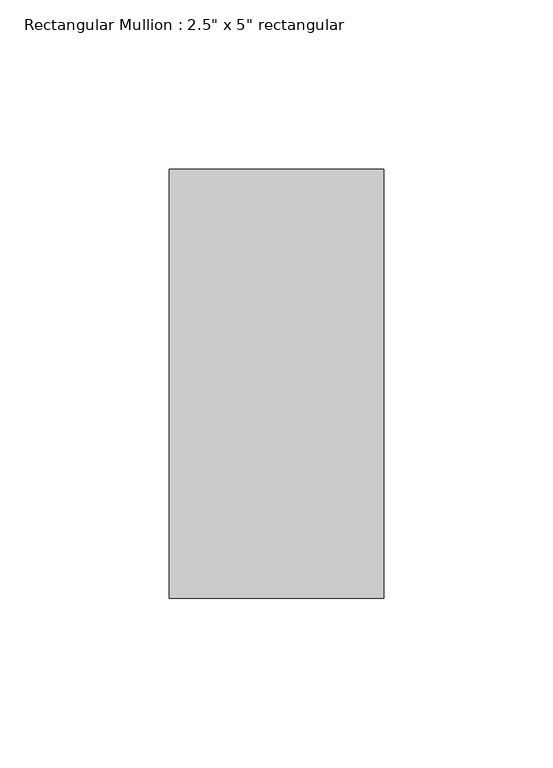
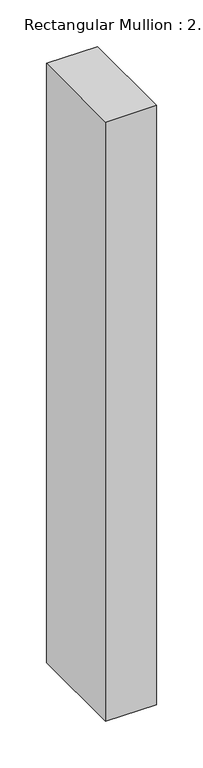
"""IFC4 building model written with IfcOpenShell, lengths in millimetres: member geometry."""

from ifc_helpers import new_model, si_unit, frame, origin, place, context, project, spatial, polyline, outline, extrude, source, transform, mapped, element, save


def member_740add3a(model_context):
    return source(origin(), model_context, "Body", "SweptSolid", [
        extrude(outline(polyline([(31.75, 63.5), (31.75, -63.5), (-31.75, -63.5), (-31.75, 63.5), (31.75, 63.5)])), frame((0.0, 0.0, -785.9788647), z_axis=(0.0, 0.0, 1.0), x_axis=(1.0, 0.0, 0.0)), (0.0, 0.0, 1.0), 785.9788647),
    ])


if __name__ == "__main__":
    model = new_model("IFC4")
    model_context = context("Model", 3, world=origin())
    ifc_project = project(units=[si_unit("LENGTHUNIT", "METRE", prefix="MILLI")], contexts=[model_context])
    site = spatial("IfcSite", under=ifc_project)
    building = spatial("IfcBuilding", under=site)
    placement = place(None, origin())
    member_shape = member_740add3a(model_context)
    element("IfcMember", 1, ObjectType="Rectangular Mullion : 2.5\" x 5\" rectangular", at=placement, inside=building, context=model_context, shape_type="MappedRepresentation", body=[
        mapped(member_shape, transform((0.0, 0.0, 0.0), x_axis=(1.0, 0.0, 0.0), y_axis=(0.0, 1.0, 0.0), z_axis=(0.0, 0.0, 1.0))),
    ])
    save(model, "model.ifc")
